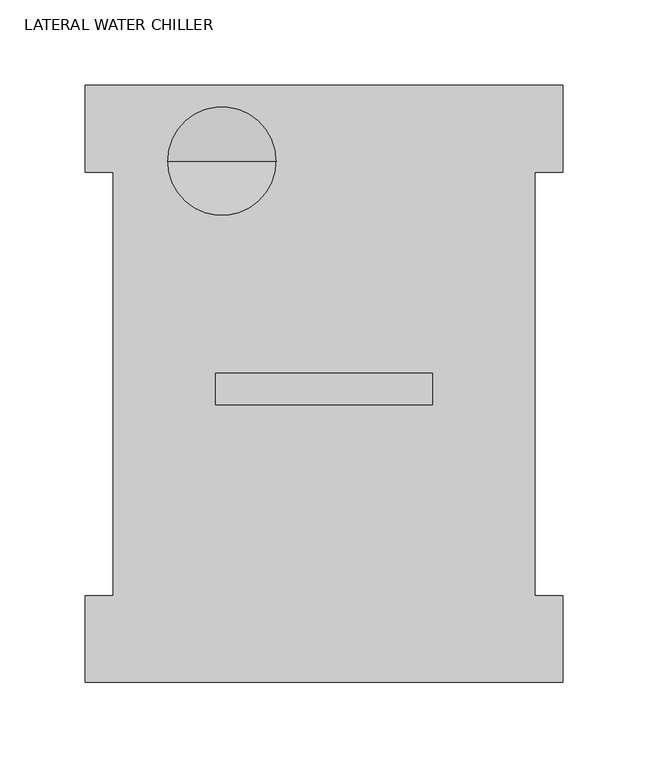
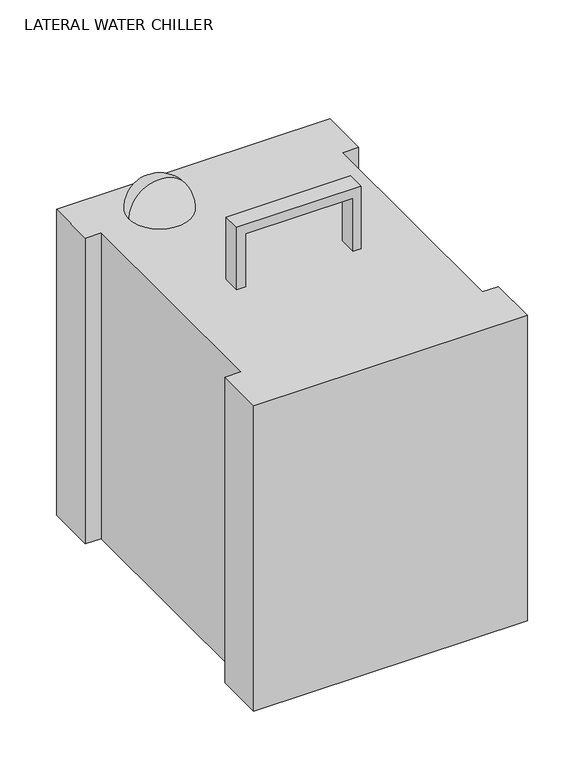
"""IFC4 building model written with IfcOpenShell, lengths in millimetres: proxy geometry, LATERAL WATER CHILLER."""

from ifc_helpers import new_model, si_unit, point, frame, origin, place, context, project, spatial, polyline, circle_curve, ellipse_curve, trimmed, outline, extrude, source, transform, mapped, element, save
from ifc_brep_helpers import plane_surface, revolved_surface, advanced_brep


def lateral_water_chiller_41107f9e(model_context):
    return source(origin(), model_context, "Body", "SolidModel", [
        advanced_brep(
        [(-83.3751545, 237.7226137, 1422.4), (-115.1251545, 237.7226137, 1422.4), (-51.6251545, 237.7226137, 1422.4), (-83.3751545, 237.7226137, 1454.15)],
        [
            (0, 1),
            (1, 2, circle_curve(frame((-83.3751545, 237.7226137, 1422.4), z_axis=(0.0, 0.0, -1.0), x_axis=(-1.0, 0.0, 0.0)), 31.75)),
            (2, 0),
            (2, 1, circle_curve(frame((-83.3751545, 237.7226137, 1422.4), z_axis=(0.0, 0.0, -1.0), x_axis=(-1.0, 0.0, 0.0)), 31.75)),
            (1, 3, circle_curve(frame((-83.3751545, 237.7226137, 1422.4), z_axis=(0.0, 1.0, 0.0), x_axis=(1.0, 0.0, 0.0)), 31.75)),
            (3, 2, circle_curve(frame((-83.3751545, 237.7226137, 1422.4), z_axis=(0.0, 1.0, 0.0), x_axis=(-1.0, 0.0, 0.0)), 31.75)),
        ],
        [
            plane_surface(frame((-83.3751545, 237.7226137, 1422.4), z_axis=(0.0, 0.0, -1.0), x_axis=(-1.0, 0.0, 0.0))),
            revolved_surface(trimmed(ellipse_curve(frame((-83.3751545, 237.7226137, 1422.4), z_axis=(0.0, -1.0, 0.0), x_axis=(1.0, 0.0, 0.0)), 31.75, 31.75), [point((-83.3751545, 237.7226137, 1454.15))], [point((-115.1251545, 237.7226137, 1422.4))], True, "CARTESIAN"), (-83.3751545, 237.7226137, 1422.4), (0.0, 0.0, -1.0)),
        ],
        [
            (0, [[1, 2, 3]]),
            (0, [[-3, 4, -1]]),
            (1, [[-2, 5, 6]]),
            (1, [[-4, -6, -5]]),
        ],
    ),
        extrude(outline(polyline([(1479.55, -77.6637671), (1479.55, 31.75), (1422.4, 31.75), (1422.4, 39.9427047), (1489.71, 39.9427047), (1489.71, -87.0572953), (1422.4, -87.0572953), (1422.4, -77.6637671), (1479.55, -77.6637671)])), frame((0.0, 95.0964236, 0.0), z_axis=(0.0, 1.0, 0.0), x_axis=(0.0, 0.0, 1.0)), (0.0, 0.0, 1.0), 18.3455955),
        extrude(outline(polyline([(116.1427047, 281.94), (116.1427047, 231.14), (99.7631196, 231.14), (99.7631196, -16.51), (116.1427047, -16.51), (116.1427047, -67.31), (-163.2572953, -67.31), (-163.2572953, -16.51), (-146.8777102, -16.51), (-146.8777102, 231.14), (-163.2572953, 231.14), (-163.2572953, 281.94), (116.1427047, 281.94)])), frame((0.0, 0.0, 1092.2), z_axis=(0.0, 0.0, 1.0), x_axis=(1.0, 0.0, 0.0)), (0.0, 0.0, 1.0), 330.2),
    ])


if __name__ == "__main__":
    model = new_model("IFC4")
    model_context = context("Model", 3, world=origin())
    ifc_project = project(units=[si_unit("LENGTHUNIT", "METRE", prefix="MILLI")], contexts=[model_context])
    site = spatial("IfcSite", under=ifc_project)
    building = spatial("IfcBuilding", under=site)
    placement = place(None, origin())
    lateral_water_chiller_shape = lateral_water_chiller_41107f9e(model_context)
    element("IfcBuildingElementProxy", 1, Name="LATERAL WATER CHILLER", ObjectType="LATERAL WATER CHILLER", at=placement, inside=building, context=model_context, shape_type="MappedRepresentation", body=[
        mapped(lateral_water_chiller_shape, transform((0.0, 0.0, 0.0), x_axis=(1.0, 0.0, 0.0), y_axis=(0.0, 1.0, 0.0), z_axis=(0.0, 0.0, 1.0))),
    ])
    save(model, "model.ifc")
